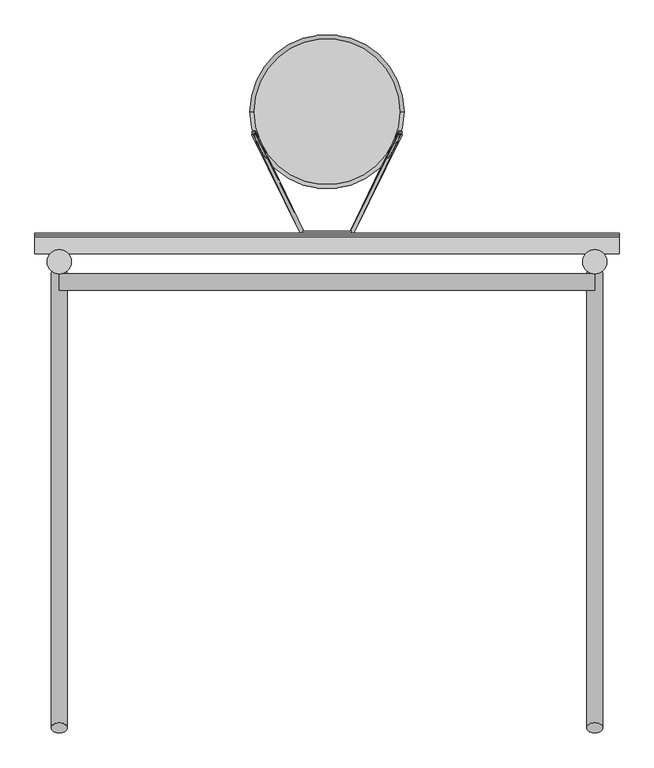
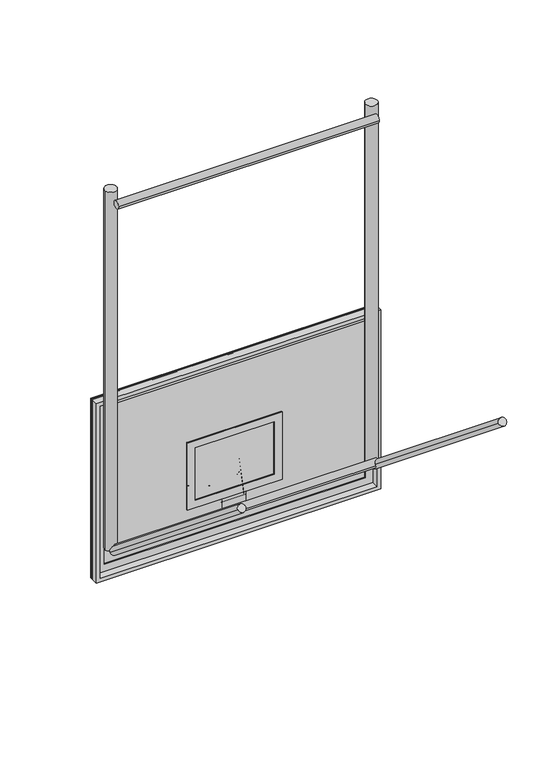
"""IFC4 building model written with IfcOpenShell, lengths in millimetres: proxy geometry."""

import ifcopenshell
import ifcopenshell.guid

model = None  # the IFC model being written
_history = None  # IfcOwnerHistory: only IFC2X3 demands one
_inside = {}  # id of a spatial element -> (the spatial element, [elements in it])
_under = {}  # id of a project, library or spatial element -> (it, [spatial elements below it])
_declared = {}  # id of a project -> (the project, [libraries it declares])
_typed = {}  # id of a type object -> (the type object, [elements of that type])
_made_of = {}  # id of a material, layer set ... -> (it, [elements and type objects made of it])


def new_model(schema):
    """Start an empty IFC model of exactly this schema.

    Asked for "IFC4X3", IfcOpenShell would pick the latest addendum, in which some entities
    have other attributes; the version numbers below select the first issue.
    IFC2X3 requires an IfcOwnerHistory on every rooted entity: one is made here for all.
    """
    global model, _history
    if schema == "IFC4X3":
        model = ifcopenshell.file(schema_version=(4, 3, 0, 0))
    else:
        model = ifcopenshell.file(schema=schema)
    _inside.clear()
    _under.clear()
    _declared.clear()
    _typed.clear()
    _made_of.clear()
    _history = None
    if model.schema == "IFC2X3":
        org = make("IfcOrganization", Name="unknown")
        user = make(
            "IfcPersonAndOrganization",
            ThePerson=make("IfcPerson", FamilyName="unknown"),
            TheOrganization=org,
        )
        app = make(
            "IfcApplication",
            ApplicationDeveloper=org,
            Version="unknown",
            ApplicationFullName="unknown",
            ApplicationIdentifier="unknown",
        )
        _history = make(
            "IfcOwnerHistory",
            OwningUser=user,
            OwningApplication=app,
            ChangeAction="ADDED",
            CreationDate=0,
        )
    return model


def make(cls, **values):
    """One entity of the class cls with the attributes given. An attribute that is None is left unset."""
    return model.create_entity(
        cls, **{name: value for name, value in values.items() if value is not None}
    )


def rooted(cls, **values):
    """An entity with a GlobalId (a new one), such as an element, a storey or a relation."""
    return make(cls, GlobalId=ifcopenshell.guid.new(), OwnerHistory=_history, **values)


def si_unit(unit_type, name, prefix=None):
    """IfcSIUnit, for example si_unit("LENGTHUNIT", "METRE", prefix="MILLI")."""
    return make("IfcSIUnit", UnitType=unit_type, Prefix=prefix, Name=name)


def assignment(units):
    """IfcUnitAssignment: the units of a project."""
    return None if units is None else make("IfcUnitAssignment", Units=units)


def point(xyz):
    """IfcCartesianPoint."""
    return None if xyz is None else make("IfcCartesianPoint", Coordinates=xyz)


def direction(xyz):
    """IfcDirection."""
    return None if xyz is None else make("IfcDirection", DirectionRatios=xyz)


def frame(location, z_axis=None, x_axis=None):
    """IfcAxis2Placement3D, a coordinate frame: its origin and axes. An axis left out is left unset."""
    return make(
        "IfcAxis2Placement3D",
        Location=point(location),
        Axis=direction(z_axis),
        RefDirection=direction(x_axis),
    )


def frame_2d(location, x_axis=None):
    """IfcAxis2Placement2D, a coordinate frame in the plane: its origin and x axis."""
    return make(
        "IfcAxis2Placement2D", Location=point(location), RefDirection=direction(x_axis)
    )


def origin():
    """The frame at (0, 0, 0) with its axes left unset."""
    return frame((0.0, 0.0, 0.0))


def place(relative_to, where):
    """IfcLocalPlacement: puts the frame where relative to a parent placement (None: the world)."""
    return make(
        "IfcLocalPlacement", PlacementRelTo=relative_to, RelativePlacement=where
    )


def context(
    kind, dimensions, precision=None, world=None, true_north=None, identifier=None
):
    """IfcGeometricRepresentationContext, for example the 3D "Model" context."""
    return make(
        "IfcGeometricRepresentationContext",
        ContextIdentifier=identifier,
        ContextType=kind,
        CoordinateSpaceDimension=dimensions,
        Precision=precision,
        WorldCoordinateSystem=world,
        TrueNorth=true_north,
    )


def project(units=None, contexts=None):
    """IfcProject with its units and contexts."""
    return rooted(
        "IfcProject",
        Name="project",
        RepresentationContexts=contexts,
        UnitsInContext=assignment(units),
    )


def spatial(cls, under=None, at=None, **own):
    """A site, building, storey or space (cls), placed at a placement, below another one or the project."""
    s = rooted(cls, ObjectPlacement=at, **own)
    if under is not None:
        _under.setdefault(under.id(), (under, []))[1].append(s)
    return s


def polyline(points):
    """IfcPolyline through the points."""
    return make("IfcPolyline", Points=[point(p) for p in points])


def circle_curve(where, radius):
    """IfcCircle in the frame where."""
    return make("IfcCircle", Position=where, Radius=radius)


def ellipse_curve(where, semi_axis1, semi_axis2):
    """IfcEllipse in the frame where."""
    return make(
        "IfcEllipse", Position=where, SemiAxis1=semi_axis1, SemiAxis2=semi_axis2
    )


def trimmed(basis, trim1, trim2, sense, master):
    """IfcTrimmedCurve: the piece of a basis curve between two trims."""
    return make(
        "IfcTrimmedCurve",
        BasisCurve=basis,
        Trim1=trim1,
        Trim2=trim2,
        SenseAgreement=sense,
        MasterRepresentation=master,
    )


def segment(curve, same_sense, transition):
    """IfcCompositeCurveSegment."""
    return make(
        "IfcCompositeCurveSegment",
        Transition=transition,
        SameSense=same_sense,
        ParentCurve=curve,
    )


def composite_curve(segments, self_intersect=None):
    """IfcCompositeCurve: segments joined end to end."""
    return make("IfcCompositeCurve", Segments=segments, SelfIntersect=self_intersect)


def outline(outer, holes=None, kind="AREA"):
    """IfcArbitraryClosedProfileDef: a profile drawn as a closed curve; with holes, ...WithVoids."""
    if holes is None:
        return make("IfcArbitraryClosedProfileDef", ProfileType=kind, OuterCurve=outer)
    return make(
        "IfcArbitraryProfileDefWithVoids",
        ProfileType=kind,
        OuterCurve=outer,
        InnerCurves=holes,
    )


def extrude(swept, where, along, depth):
    """IfcExtrudedAreaSolid: the profile swept, set in the frame where, extruded along a direction by depth."""
    return make(
        "IfcExtrudedAreaSolid",
        SweptArea=swept,
        Position=where,
        ExtrudedDirection=direction(along),
        Depth=depth,
    )


def shape(context_of_items, identifier, shape_type, items):
    """IfcShapeRepresentation: the items that make up one representation, for example the "Body"."""
    return make(
        "IfcShapeRepresentation",
        ContextOfItems=context_of_items,
        RepresentationIdentifier=identifier,
        RepresentationType=shape_type,
        Items=items,
    )


def source(mapping_origin, context_of_items, identifier, shape_type, items):
    """IfcRepresentationMap: a shape defined once, which mapped items show again and again."""
    return make(
        "IfcRepresentationMap",
        MappingOrigin=mapping_origin,
        MappedRepresentation=shape(context_of_items, identifier, shape_type, items),
    )


def transform(
    local_origin,
    x_axis=None,
    y_axis=None,
    z_axis=None,
    scale=None,
    scale2=None,
    scale3=None,
    uniform=True,
):
    """IfcCartesianTransformationOperator3D, or its non-uniform kind. x_axis, y_axis, z_axis: its Axis1, 2, 3."""
    if uniform:
        return make(
            "IfcCartesianTransformationOperator3D",
            Axis1=direction(x_axis),
            Axis2=direction(y_axis),
            LocalOrigin=point(local_origin),
            Scale=scale,
            Axis3=direction(z_axis),
        )
    return make(
        "IfcCartesianTransformationOperator3DnonUniform",
        Axis1=direction(x_axis),
        Axis2=direction(y_axis),
        LocalOrigin=point(local_origin),
        Scale=scale,
        Axis3=direction(z_axis),
        Scale2=scale2,
        Scale3=scale3,
    )


def mapped(mapping_source, mapping_target):
    """IfcMappedItem: shows the shape of a source again, moved by a transform."""
    return make(
        "IfcMappedItem", MappingSource=mapping_source, MappingTarget=mapping_target
    )


def made_of(thing, what):
    """Note that an element or type object is made of a material, layer set ...; save() writes the relation."""
    if what is not None:
        _made_of.setdefault(what.id(), (what, []))[1].append(thing)
    return thing


def element(
    cls,
    number,
    at=None,
    inside=None,
    cuts=None,
    type_object=None,
    material=None,
    context=None,
    identifier="Body",
    shape_type=None,
    held_by="IfcProductDefinitionShape",
    body=None,
    shapes=None,
    **own,
):
    """One element of the class cls, such as IfcWall. Its Tag is "e" and its number.

    at: its placement. inside: the storey or other place that contains it. cuts: it is an
    opening in that element (IfcRelVoidsElement). A single representation is given by context,
    identifier, shape_type and body (its items); several are given by shapes. held_by: the class
    of the entity that holds the representations. save() writes the other relations.
    """
    e = rooted(cls, Tag="e%d" % number, ObjectPlacement=at, **own)
    if body is not None:
        shapes = [shape(context, identifier, shape_type, body)]
    if shapes is not None:
        e.Representation = make(held_by, Representations=shapes)
    if inside is not None:
        _inside.setdefault(inside.id(), (inside, []))[1].append(e)
    if cuts is not None:
        rooted(
            "IfcRelVoidsElement", RelatingBuildingElement=cuts, RelatedOpeningElement=e
        )
    if type_object is not None:
        _typed.setdefault(type_object.id(), (type_object, []))[1].append(e)
    return made_of(e, material)


def aggregate(whole, parts):
    """IfcRelAggregates: a whole, such as a stair, and the parts it consists of."""
    return rooted("IfcRelAggregates", RelatingObject=whole, RelatedObjects=parts)


def save(model, path):
    """Write the relations noted so far, then the file.

    IfcRelAggregates (storeys below a building ...), IfcRelContainedInSpatialStructure (elements
    in a storey), IfcRelDefinesByType, IfcRelAssociatesMaterial and IfcRelDeclares: one each for
    every whole, place, type object, material and project.
    """
    for whole, parts in _under.values():
        aggregate(whole, parts)
    for where, things in _inside.values():
        rooted(
            "IfcRelContainedInSpatialStructure",
            RelatedElements=things,
            RelatingStructure=where,
        )
    for kind, things in _typed.values():
        rooted("IfcRelDefinesByType", RelatedObjects=things, RelatingType=kind)
    for what, things in _made_of.values():
        rooted("IfcRelAssociatesMaterial", RelatedObjects=things, RelatingMaterial=what)
    for by, libraries in _declared.values():
        rooted("IfcRelDeclares", RelatingContext=by, RelatedDefinitions=libraries)
    model.write(path)


def plane_surface(at):
    """IfcPlane: the flat surface through the origin of the frame at, square to its z axis."""
    return make("IfcPlane", Position=at)


def cylinder_surface(at, radius):
    """IfcCylindricalSurface: all points at the distance radius from the z axis of the frame at."""
    return make("IfcCylindricalSurface", Position=at, Radius=radius)


def revolved_surface(curve, axis_point, axis_direction):
    """IfcSurfaceOfRevolution: the curve turned about the line through axis_point along axis_direction."""
    return make(
        "IfcSurfaceOfRevolution",
        SweptCurve=make("IfcArbitraryOpenProfileDef", ProfileType="CURVE", Curve=curve),
        AxisPosition=make("IfcAxis1Placement", Location=point(axis_point), Axis=direction(axis_direction)),
    )


def advanced_brep(points, edges, surfaces, faces):
    """IfcAdvancedBrep: a solid bounded by faces that lie on surfaces and meet in shared edges.

    An edge is (start, end): straight between two places in points (the first is 0);
    or (start, end, curve); or (start, end, curve, False) where it runs against its curve.
    A face is (place in surfaces, loops), or (place, loops, False) where it looks against
    its surface's normal. A loop lists edges by number (the first is 1), with a minus sign
    where the edge is run from its end to its start. The first loop is the outer one.
    """
    corners = [point(p) for p in points]
    vertices = [make("IfcVertexPoint", VertexGeometry=c) for c in corners]
    made = []
    for start, end, *more in edges:
        made.append(
            make(
                "IfcEdgeCurve",
                EdgeStart=vertices[start],
                EdgeEnd=vertices[end],
                EdgeGeometry=more[0] if more else make("IfcPolyline", Points=[corners[start], corners[end]]),
                SameSense=more[1] if len(more) > 1 else True,
            )
        )
    hull = []
    for where, loops, *sense in faces:
        bounds = []
        for j, loop in enumerate(loops):
            ring = [make("IfcOrientedEdge", EdgeElement=made[abs(k) - 1], Orientation=k > 0) for k in loop]
            bounds.append(
                make(
                    "IfcFaceOuterBound" if j == 0 else "IfcFaceBound",
                    Bound=make("IfcEdgeLoop", EdgeList=ring),
                    Orientation=True,
                )
            )
        hull.append(make("IfcAdvancedFace", Bounds=bounds, FaceSurface=surfaces[where], SameSense=sense[0] if sense else True))
    return make("IfcAdvancedBrep", Outer=make("IfcClosedShell", CfsFaces=hull))


def specialty_equipment_c19501c1(model_context):
    return source(origin(), model_context, "Body", "SolidModel", [
        extrude(outline(composite_curve([segment(trimmed(circle_curve(frame_2d((-76.2, 0.0)), 25.4), [point((-50.8, 0.0))], [point((-101.6, 0.0))], False, "CARTESIAN"), True, "CONTINUOUS"), segment(trimmed(circle_curve(frame_2d((-76.2, 0.0)), 25.4), [point((-101.6, 0.0))], [point((-50.8, 0.0))], False, "CARTESIAN"), True, "CONTINUOUS")], self_intersect=False)), frame((914.4, -114.3, 3048.0), z_axis=(0.0, -0.777145961456969, 0.6293203910498398), x_axis=(1.0, 0.0, 0.0)), (0.0, 0.0, 1.0), 1828.8),
        extrude(outline(composite_curve([segment(trimmed(circle_curve(frame_2d((-76.2, 0.0)), 25.4), [point((-50.8, 0.0))], [point((-101.6, 0.0))], False, "CARTESIAN"), True, "CONTINUOUS"), segment(trimmed(circle_curve(frame_2d((-76.2, 0.0)), 25.4), [point((-101.6, 0.0))], [point((-50.8, 0.0))], False, "CARTESIAN"), True, "CONTINUOUS")], self_intersect=False)), frame((-914.4, -114.3, 3048.0), z_axis=(0.0, -0.7771459614569691, 0.6293203910498396), x_axis=(-1.0, 0.0, 0.0)), (0.0, 0.0, 1.0), 1828.8),
        extrude(outline(composite_curve([segment(trimmed(circle_curve(frame_2d((-140.0761832, 3078.4192567)), 25.4), [point((-165.4761832, 3078.4192567))], [point((-114.6761832, 3078.4192567))], False, "CARTESIAN"), True, "CONTINUOUS"), segment(trimmed(circle_curve(frame_2d((-140.0761832, 3078.4192567)), 25.4), [point((-114.6761832, 3078.4192567))], [point((-165.4761832, 3078.4192567))], False, "CARTESIAN"), True, "CONTINUOUS")], self_intersect=False)), frame((-838.2, 0.0, 0.0), z_axis=(1.0, 0.0, 0.0), x_axis=(0.0, 1.0, 0.0)), (0.0, 0.0, 1.0), 1676.4),
        extrude(outline(composite_curve([segment(trimmed(circle_curve(frame_2d((-140.0761832, 5415.2192567)), 25.4), [point((-165.4761832, 5415.2192567))], [point((-114.6761832, 5415.2192567))], False, "CARTESIAN"), True, "CONTINUOUS"), segment(trimmed(circle_curve(frame_2d((-140.0761832, 5415.2192567)), 25.4), [point((-114.6761832, 5415.2192567))], [point((-165.4761832, 5415.2192567))], False, "CARTESIAN"), True, "CONTINUOUS")], self_intersect=False)), frame((-838.2, 0.0, 0.0), z_axis=(1.0, 0.0, 0.0), x_axis=(0.0, 1.0, 0.0)), (0.0, 0.0, 1.0), 1676.4),
        extrude(outline(composite_curve([segment(trimmed(circle_curve(frame_2d((-838.2, -76.2)), 38.1), [point((-876.3, -76.2))], [point((-800.1, -76.2))], False, "CARTESIAN"), True, "CONTINUOUS"), segment(trimmed(circle_curve(frame_2d((-838.2, -76.2)), 38.1), [point((-800.1, -76.2))], [point((-876.3, -76.2))], False, "CARTESIAN"), True, "CONTINUOUS")], self_intersect=False)), frame((0.0, 0.0, 3048.0), z_axis=(0.0, 0.0, 1.0), x_axis=(1.0, 0.0, 0.0)), (0.0, 0.0, 1.0), 2438.4),
        extrude(outline(composite_curve([segment(trimmed(circle_curve(frame_2d((838.2, -76.2)), 38.1), [point((876.3, -76.2))], [point((800.1, -76.2))], False, "CARTESIAN"), True, "CONTINUOUS"), segment(trimmed(circle_curve(frame_2d((838.2, -76.2)), 38.1), [point((800.1, -76.2))], [point((876.3, -76.2))], False, "CARTESIAN"), True, "CONTINUOUS")], self_intersect=False)), frame((0.0, 0.0, 3048.0), z_axis=(0.0, 0.0, 1.0), x_axis=(1.0, 0.0, 0.0)), (0.0, 0.0, 1.0), 2438.4),
        advanced_brep(
        [(-236.6789699, 395.5113338, 3042.0341814), (236.6789699, 395.5113338, 3042.0341814), (-114.3, 395.5113338, 2707.5151813), (114.3, 395.5113338, 2707.5151813)],
        [
            (0, 1, circle_curve(frame((0.0, 395.5113338, 3042.0341814), z_axis=(0.0, 0.0, 1.0), x_axis=(1.0, 0.0, 0.0)), 236.6789699)),
            (1, 0, circle_curve(frame((0.0, 395.5113338, 3042.0341814), z_axis=(0.0, 0.0, 1.0), x_axis=(-1.0, 0.0, 0.0)), 236.6789699)),
            (2, 3, circle_curve(frame((0.0, 395.5113338, 2707.5151813), z_axis=(0.0, 0.0, -1.0), x_axis=(-1.0, 0.0, 0.0)), 114.3)),
            (3, 2, circle_curve(frame((0.0, 395.5113338, 2707.5151813), z_axis=(0.0, 0.0, -1.0), x_axis=(1.0, 0.0, 0.0)), 114.3)),
            (2, 0),
            (1, 3),
        ],
        [
            plane_surface(frame((0.0, 395.5113338, 3042.0341814), z_axis=(0.0, 0.0, 1.0), x_axis=(0.0, 1.0, 0.0))),
            plane_surface(frame((0.0, 395.5113338, 2707.5151813), z_axis=(0.0, 0.0, -1.0), x_axis=(0.0, 1.0, 0.0))),
            revolved_surface(polyline([(-114.3000000051076, 395.5113338, 2707.5151813), (-236.6789699, 395.5113338, 3042.0341814)]), (0.0, 395.5113338, 2395.079787), (0.0, 0.0, 1.0)),
            revolved_surface(polyline([(114.3000000051076, 395.5113338, 2707.5151813), (236.6789699, 395.5113338, 3042.0341814)]), (0.0, 395.5113338, 2395.079787), (0.0, 0.0, 1.0)),
        ],
        [
            (0, [[1, 2]]),
            (1, [[3, 4]]),
            (2, [[5, -2, 6, -3]]),
            (3, [[-6, -1, -5, -4]]),
        ],
    ),
        advanced_brep(
        [(-235.8399415, 321.2580627, 3040.7989327), (-224.3912623, 326.5918433, 3042.1287936), (-72.2048994, 19.05, 2965.45), (-80.1951006, 6.7272443, 2962.3775919), (72.2048994, 19.05, 2965.45), (80.1951006, 6.7272443, 2962.3775919), (235.8399415, 321.2580627, 3040.7989327), (224.3912623, 326.5918433, 3042.1287936)],
        [
            (0, 1, circle_curve(frame((-230.1156019, 323.924953, 3041.4638631), z_axis=(-0.4328399193789917, 0.8746932651081373, 0.2180855248897866), x_axis=(0.9014708005210086, 0.41998272393508324, 0.10471345378737032)), 6.35)),
            (1, 0, circle_curve(frame((-230.1156019, 323.924953, 3041.4638631), z_axis=(-0.4328399193789917, 0.8746932651081373, 0.2180855248897866), x_axis=(0.9014708005210086, 0.41998272393508324, 0.10471345378737032)), 6.35)),
            (1, 2),
            (2, 3, ellipse_curve(frame((-76.2, 12.8886221, 2963.913796), z_axis=(-0.8464159495717788, 0.5167041485635194, 0.12882881342212485), x_axis=(0.5325223378511971, 0.8212737785213373, 0.20476655098619206)), 7.5022216, 6.35)),
            (3, 0),
            (3, 2, ellipse_curve(frame((-76.2, 12.8886221, 2963.913796), z_axis=(-0.8464159495717788, 0.5167041485635194, 0.12882881342212485), x_axis=(0.5325223378511971, 0.8212737785213373, 0.20476655098619206)), 7.5022216, 6.35)),
            (2, 4),
            (4, 5, ellipse_curve(frame((76.2, 12.8886221, 2963.913796), z_axis=(-0.8464159495717782, -0.5167041485635203, -0.12882881342212504), x_axis=(-0.5325223378511974, 0.8212737785213372, 0.20476655098619195)), 7.5022216, 6.35)),
            (5, 3),
            (5, 4, ellipse_curve(frame((76.2, 12.8886221, 2963.913796), z_axis=(-0.8464159495717782, -0.5167041485635203, -0.12882881342212504), x_axis=(-0.5325223378511974, 0.8212737785213372, 0.20476655098619195)), 7.5022216, 6.35)),
            (6, 7, circle_curve(frame((230.1156019, 323.924953, 3041.4638631), z_axis=(0.43283991937898986, 0.8746932651081383, 0.2180855248897868), x_axis=(-0.9014708005210095, 0.41998272393508135, 0.10471345378736992)), 6.35)),
            (7, 6, circle_curve(frame((230.1156019, 323.924953, 3041.4638631), z_axis=(0.43283991937898986, 0.8746932651081383, 0.2180855248897868), x_axis=(-0.9014708005210095, 0.41998272393508135, 0.10471345378736992)), 6.35)),
            (4, 7),
            (6, 5),
        ],
        [
            plane_surface(frame((-230.1156019, 1059.7666868, 90.1638673), z_axis=(-0.4328399193789915, 0.8746932651081376, 0.2180855248897867), x_axis=(0.0, -0.24192189559966143, 0.9702957262759981))),
            cylinder_surface(frame((-230.1156019, 323.924953, 3041.4638631), z_axis=(-0.4328399193789918, 0.8746932651081375, 0.21808552488978666), x_axis=(0.9014708005210086, 0.41998272393508324, 0.10471345378737032)), 6.35),
            cylinder_surface(frame((-76.2, 12.8886221, 2963.913796), z_axis=(-1.0, 0.0, 0.0), x_axis=(0.0, 0.970295726275998, 0.24192189559966143)), 6.35),
            plane_surface(frame((230.1156019, 1059.7666868, 90.1638673), z_axis=(0.4328399193789902, 0.8746932651081383, 0.21808552488978683), x_axis=(0.0, -0.24192189559966137, 0.9702957262759981))),
            cylinder_surface(frame((76.2, 12.8886221, 2963.913796), z_axis=(-0.43283991937898986, -0.8746932651081383, -0.2180855248897868), x_axis=(-0.9014708005210095, 0.41998272393508135, 0.10471345378736992)), 6.35),
        ],
        [
            (0, [[1, 2]]),
            (1, [[3, 4, 5, -2]]),
            (1, [[-5, 6, -3, -1]]),
            (2, [[7, 8, 9, -4]]),
            (2, [[-9, 10, -7, -6]]),
            (3, [[11, 12]]),
            (4, [[13, -11, 14, -8]]),
            (4, [[-14, -12, -13, -10]]),
        ],
    ),
        extrude(outline(polyline([(76.2, 19.05), (76.2, 0.0), (-76.2, 0.0), (-76.2, 19.05), (76.2, 19.05)])), frame((0.0, 0.0, 2943.225), z_axis=(0.0, 0.0, 1.0), x_axis=(1.0, 0.0, 0.0)), (0.0, 0.0, 1.0), 152.4),
        advanced_brep(
        [(-235.8399415, 330.5097483, 3041.65), (-224.3912623, 336.0068153, 3041.65), (-72.2048994, 19.05, 3041.65), (-80.1951006, 6.35, 3041.65), (72.2048994, 19.05, 3041.65), (80.1951006, 6.35, 3041.65), (235.8399415, 330.5097483, 3041.65), (224.3912623, 336.0068153, 3041.65)],
        [
            (0, 1, circle_curve(frame((-230.1156019, 333.2582818, 3041.65), z_axis=(-0.4328399193789917, 0.9014708005210087, 0.0), x_axis=(0.9014708005210087, 0.4328399193789917, 0.0)), 6.35)),
            (1, 0, circle_curve(frame((-230.1156019, 333.2582818, 3041.65), z_axis=(-0.4328399193789917, 0.9014708005210087, 0.0), x_axis=(0.9014708005210087, 0.4328399193789917, 0.0)), 6.35)),
            (1, 2),
            (2, 3, ellipse_curve(frame((-76.2, 12.7, 3041.65), z_axis=(-0.8464159495717786, 0.5325223378511968, 0.0), x_axis=(0.5325223378511967, 0.8464159495717788, 0.0)), 7.5022216, 6.35)),
            (3, 0),
            (3, 2, ellipse_curve(frame((-76.2, 12.7, 3041.65), z_axis=(-0.8464159495717786, 0.5325223378511968, 0.0), x_axis=(0.5325223378511967, 0.8464159495717788, 0.0)), 7.5022216, 6.35)),
            (2, 4),
            (4, 5, ellipse_curve(frame((76.2, 12.7, 3041.65), z_axis=(-0.8464159495717782, -0.5325223378511977, 0.0), x_axis=(-0.5325223378511974, 0.8464159495717782, 0.0)), 7.5022216, 6.35)),
            (5, 3),
            (5, 4, ellipse_curve(frame((76.2, 12.7, 3041.65), z_axis=(-0.8464159495717782, -0.5325223378511977, 0.0), x_axis=(-0.5325223378511974, 0.8464159495717782, 0.0)), 7.5022216, 6.35)),
            (6, 7, circle_curve(frame((230.1156019, 333.2582818, 3041.65), z_axis=(0.4328399193789898, 0.9014708005210095, 0.0), x_axis=(-0.9014708005210095, 0.4328399193789898, 0.0)), 6.35)),
            (7, 6, circle_curve(frame((230.1156019, 333.2582818, 3041.65), z_axis=(0.4328399193789898, 0.9014708005210095, 0.0), x_axis=(-0.9014708005210095, 0.4328399193789898, 0.0)), 6.35)),
            (4, 7),
            (6, 5),
        ],
        [
            plane_surface(frame((-230.1156019, 333.2582818, 0.0), z_axis=(-0.43283991937899147, 0.9014708005210087, 0.0), x_axis=(0.0, 0.0, 1.0))),
            cylinder_surface(frame((-230.1156019, 333.2582818, 3041.65), z_axis=(-0.4328399193789917, 0.9014708005210087, 0.0), x_axis=(0.9014708005210087, 0.4328399193789917, 0.0)), 6.35),
            cylinder_surface(frame((-76.2, 12.7, 3041.65), z_axis=(-1.0, 0.0, 0.0), x_axis=(0.0, 1.0, 0.0)), 6.35),
            plane_surface(frame((230.1156019, 333.2582818, 0.0), z_axis=(0.4328399193789899, 0.9014708005210094, 0.0), x_axis=(0.0, 0.0, 1.0))),
            cylinder_surface(frame((76.2, 12.7, 3041.65), z_axis=(-0.4328399193789898, -0.9014708005210095, 0.0), x_axis=(-0.9014708005210095, 0.4328399193789898, 0.0)), 6.35),
        ],
        [
            (0, [[1, 2]]),
            (1, [[3, 4, 5, -2]]),
            (1, [[-5, 6, -3, -1]]),
            (2, [[7, 8, 9, -4]]),
            (2, [[-9, 10, -7, -6]]),
            (3, [[11, 12]]),
            (4, [[13, -11, 14, -8]]),
            (4, [[-14, -12, -13, -10]]),
        ],
    ),
        advanced_brep(
        [(228.6, 393.7, 3041.65), (241.3, 393.7, 3041.65), (-241.3, 393.7, 3041.65), (-228.6, 393.7, 3041.65)],
        [
            (0, 1, circle_curve(frame((234.95, 393.7, 3041.65), z_axis=(0.0, 1.0, 0.0), x_axis=(-1.0, 0.0, 0.0)), 6.35)),
            (1, 2, circle_curve(frame((0.0, 393.7, 3041.65), z_axis=(0.0, 0.0, 1.0), x_axis=(-1.0, 0.0, 0.0)), 241.3)),
            (2, 3, circle_curve(frame((-234.95, 393.7, 3041.65), z_axis=(0.0, 1.0, 0.0), x_axis=(1.0, 0.0, 0.0)), 6.35)),
            (3, 0, circle_curve(frame((0.0, 393.7, 3041.65), z_axis=(0.0, 0.0, -1.0), x_axis=(-1.0, 0.0, 0.0)), 228.6)),
            (1, 0, circle_curve(frame((234.95, 393.7, 3041.65), z_axis=(0.0, 1.0, 0.0), x_axis=(-1.0, 0.0, 0.0)), 6.35)),
            (3, 2, circle_curve(frame((-234.95, 393.7, 3041.65), z_axis=(0.0, 1.0, 0.0), x_axis=(1.0, 0.0, 0.0)), 6.35)),
            (2, 1, circle_curve(frame((0.0, 393.7, 3041.65), z_axis=(0.0, 0.0, 1.0), x_axis=(1.0, 0.0, 0.0)), 241.3)),
            (0, 3, circle_curve(frame((0.0, 393.7, 3041.65), z_axis=(0.0, 0.0, -1.0), x_axis=(1.0, 0.0, 0.0)), 228.6)),
        ],
        [
            revolved_surface(trimmed(ellipse_curve(frame((-234.95, 393.7, 3041.65), z_axis=(0.0, 1.0, 0.0), x_axis=(1.0, 0.0, 0.0)), 6.35, 6.35), [point((-241.3, 393.7, 3041.65))], [point((-228.6, 393.7, 3041.65))], True, "CARTESIAN"), (0.0, 393.7, 0.0), (0.0, 0.0, 1.0)),
            revolved_surface(trimmed(ellipse_curve(frame((-234.95, 393.7, 3041.65), z_axis=(0.0, 1.0, 0.0), x_axis=(1.0, 0.0, 0.0)), 6.35, 6.35), [point((-228.6, 393.7, 3041.65))], [point((-241.3, 393.7, 3041.65))], True, "CARTESIAN"), (0.0, 393.7, 0.0), (0.0, 0.0, 1.0)),
            revolved_surface(trimmed(ellipse_curve(frame((234.95, 393.7, 3041.65), z_axis=(0.0, -1.0, 0.0), x_axis=(-1.0, 0.0, 0.0)), 6.35, 6.35), [point((241.3, 393.7, 3041.65))], [point((228.6, 393.7, 3041.65))], True, "CARTESIAN"), (0.0, 393.7, 0.0), (0.0, 0.0, 1.0)),
            revolved_surface(trimmed(ellipse_curve(frame((234.95, 393.7, 3041.65), z_axis=(0.0, -1.0, 0.0), x_axis=(-1.0, 0.0, 0.0)), 6.35, 6.35), [point((228.6, 393.7, 3041.65))], [point((241.3, 393.7, 3041.65))], True, "CARTESIAN"), (0.0, 393.7, 0.0), (0.0, 0.0, 1.0)),
        ],
        [
            (0, [[1, 2, 3, 4]]),
            (1, [[5, -4, 6, -2]]),
            (2, [[-3, 7, -1, 8]]),
            (3, [[-6, -8, -5, -7]]),
        ],
    ),
        extrude(outline(polyline([(4035.425, 914.4), (4035.425, -914.4), (2816.225, -914.4), (2816.225, 914.4), (4035.425, 914.4)]), holes=[polyline([(2841.625, -889.0), (4010.025, -889.0), (4010.025, 889.0), (2841.625, 889.0), (2841.625, -889.0)])]), frame((0.0, -50.8, 0.0), z_axis=(0.0, 1.0, 0.0), x_axis=(0.0, 0.0, 1.0)), (0.0, 0.0, 1.0), 50.8),
        extrude(outline(polyline([(4035.425, 914.4), (4035.425, -914.4), (2816.225, -914.4), (2816.225, 914.4), (4035.425, 914.4)]), holes=[polyline([(2892.425, -838.2), (3959.225, -838.2), (3959.225, 838.2), (2892.425, 838.2), (2892.425, -838.2)])]), frame((0.0, -6.35, 0.0), z_axis=(0.0, 1.0, 0.0), x_axis=(0.0, 0.0, 1.0)), (0.0, 0.0, 1.0), 12.7),
        extrude(outline(polyline([(3527.425, 304.8), (3527.425, -304.8), (3070.225, -304.8), (3070.225, 304.8), (3527.425, 304.8)]), holes=[polyline([(3121.025, -254.0), (3476.625, -254.0), (3476.625, 254.0), (3121.025, 254.0), (3121.025, -254.0)])]), frame((0.0, -6.35, 0.0), z_axis=(0.0, 1.0, 0.0), x_axis=(0.0, 0.0, 1.0)), (0.0, 0.0, 1.0), 12.7),
        extrude(outline(polyline([(914.4, 12.7), (914.4, 0.0), (-914.4, 0.0), (-914.4, 12.7), (914.4, 12.7)])), frame((0.0, 0.0, 2816.225), z_axis=(0.0, 0.0, 1.0), x_axis=(1.0, 0.0, 0.0)), (0.0, 0.0, 1.0), 1219.2),
    ])


if __name__ == "__main__":
    model = new_model("IFC4")
    model_context = context("Model", 3, world=origin())
    ifc_project = project(units=[si_unit("LENGTHUNIT", "METRE", prefix="MILLI")], contexts=[model_context])
    site = spatial("IfcSite", under=ifc_project)
    building = spatial("IfcBuilding", under=site)
    placement = place(None, origin())
    specialty_equipment_shape = specialty_equipment_c19501c1(model_context)
    element("IfcBuildingElementProxy", 1, Name="Specialty Equipment", at=placement, inside=building, context=model_context, shape_type="MappedRepresentation", body=[
        mapped(specialty_equipment_shape, transform((0.0, 0.0, 0.0), x_axis=(1.0, 0.0, 0.0), y_axis=(0.0, 1.0, 0.0), z_axis=(0.0, 0.0, 1.0))),
    ])
    save(model, "model.ifc")
